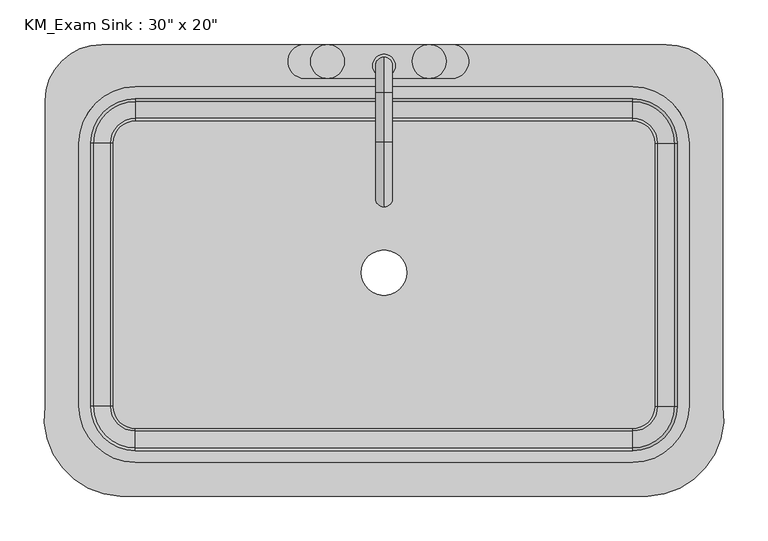
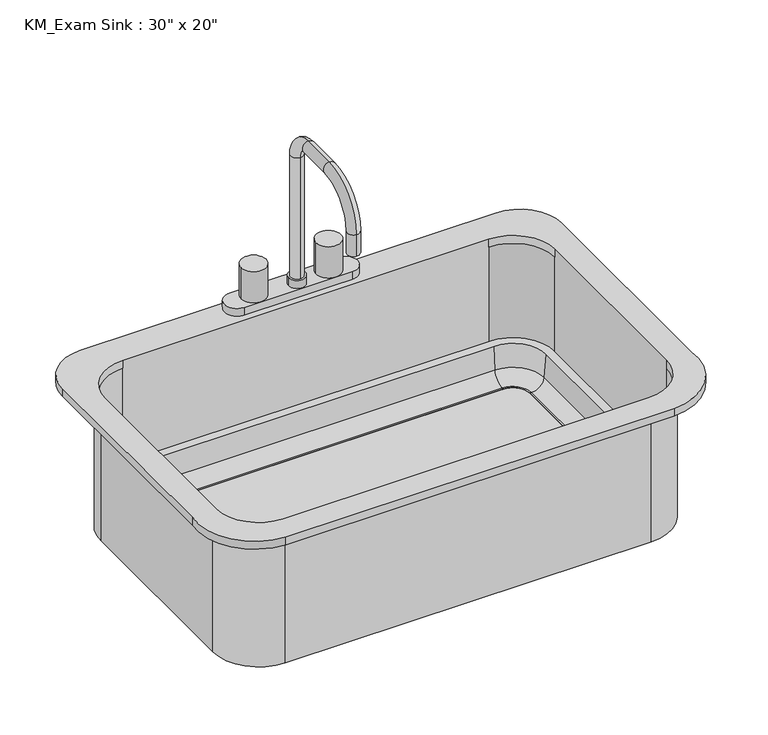
"""IFC4 building model written with IfcOpenShell, lengths in millimetres: flow terminal geometry."""

from ifc_helpers import new_model, si_unit, point, frame, frame_2d, origin, place, context, project, spatial, polyline, circle_curve, ellipse_curve, trimmed, segment, composite_curve, outline, extrude, source, transform, mapped, element, save
from ifc_brep_helpers import plane_surface, cylinder_surface, revolved_surface, advanced_brep


def flow_terminal_a957b38f(model_context):
    return source(origin(), model_context, "Body", "SolidModel", [
        advanced_brep(
        [(-280.9606923, -302.4545989, 876.3), (312.3391735, -302.4545989, 876.3), (396.6892406, -200.8545989, 876.3), (396.6892406, 142.0454011, 876.3), (333.1892406, 205.5454011, 876.3), (-301.8107593, 205.5454011, 876.3), (-365.3107593, 142.0454011, 876.3), (-365.3107593, -200.8545982, 876.3), (295.0892406, 157.9204011, 876.3), (358.5892406, 94.4204011, 876.3), (358.5892406, -200.8545989, 876.3), (295.0892406, -264.3545989, 876.3), (-263.7107594, -264.3545989, 876.3), (-327.2107594, -200.8545989, 876.3), (-327.2107594, 94.4204011, 876.3), (-263.7107594, 157.9204011, 876.3), (-280.9606923, -302.4545989, 863.6), (-365.3107593, -200.8545982, 863.6), (-365.3107593, 142.0454011, 863.6), (-301.8107593, 205.5454011, 863.6), (333.1892406, 205.5454011, 863.6), (396.6892406, 142.0454011, 863.6), (396.6892406, -200.8545989, 863.6), (312.3391735, -302.4545989, 863.6), (364.9392406, 94.4204011, 863.6), (295.0892406, 164.2704011, 863.6), (-263.7107594, 164.2704011, 863.6), (-333.5607594, 94.4204011, 863.6), (-333.5607594, -200.8545989, 863.6), (-263.7107594, -270.7045989, 863.6), (295.0892406, -270.7045989, 863.6), (364.9392406, -200.8545989, 863.6), (295.0892406, 157.9204011, 863.6), (358.5892406, 94.4204011, 863.6), (358.5892406, 94.4204011, 711.2), (358.5892406, -200.8545989, 711.2), (358.5892406, -200.8545989, 863.6), (295.0892406, -264.3545989, 863.6), (295.0892406, -264.3545989, 711.2), (-263.7107594, -264.3545989, 711.2), (-263.7107594, -264.3545989, 863.6), (-327.2107594, -200.8545989, 863.6), (-327.2107594, -200.8545989, 711.2), (-327.2107594, 94.4204011, 711.2), (-327.2107594, 94.4204011, 863.6), (-263.7107594, 157.9204011, 863.6), (-263.7107594, 157.9204011, 711.2), (295.0892406, 157.9204011, 711.2), (364.9392406, 94.4204011, 647.7), (295.0892406, 164.2704011, 647.7), (320.4892406, 94.4204011, 647.7), (295.0892406, 119.8204011, 647.7), (320.4892406, 94.4204011, 657.225), (295.0892406, 119.8204011, 657.225), (323.0776588, 94.4204011, 657.225), (295.0892406, 122.4088193, 657.225), (342.0551678, 94.4204011, 674.6146831), (295.0892406, 141.3863283, 674.6146831), (345.2559682, 94.4204011, 711.2), (295.0892406, 144.5871288, 711.2), (364.9392406, -200.8545989, 647.7), (320.4892406, -200.8545989, 647.7), (320.4892406, -200.8545989, 657.225), (323.0776588, -200.8545989, 657.225), (342.0551678, -200.8545989, 674.6146831), (345.2559682, -200.8545989, 711.2), (295.0892406, -270.7045989, 647.7), (295.0892406, -226.2545989, 647.7), (295.0892406, -226.2545989, 657.225), (295.0892406, -228.8430171, 657.225), (295.0892406, -247.8205261, 674.6146831), (295.0892406, -251.0213266, 711.2), (-263.7107594, -270.7045989, 647.7), (-263.7107594, -226.2545989, 647.7), (-263.7107594, -226.2545989, 657.225), (-263.7107594, -228.8430171, 657.225), (-263.7107594, -247.8205261, 674.6146831), (-263.7107594, -251.0213266, 711.2), (-333.5607594, -200.8545989, 647.7), (-289.1107594, -200.8545989, 647.7), (-289.1107594, -200.8545989, 657.225), (-291.6991776, -200.8545989, 657.225), (-310.6766866, -200.8545989, 674.6146831), (-313.8774871, -200.8545989, 711.2), (-333.5607594, 94.4204011, 647.7), (-289.1107594, 94.4204011, 647.7), (-289.1107594, 94.4204011, 657.225), (-291.6991776, 94.4204011, 657.225), (-310.6766866, 94.4204011, 674.6146831), (-313.8774871, 94.4204011, 711.2), (-263.7107594, 164.2704011, 647.7), (-263.7107594, 119.8204011, 647.7), (-263.7107594, 119.8204011, 657.225), (-263.7107594, 122.4088193, 657.225), (-263.7107594, 141.3863283, 674.6146831), (-263.7107594, 144.5871288, 711.2)],
        [
            (0, 1),
            (1, 2, circle_curve(frame((308.5319557, -213.4793432, 876.3), z_axis=(0.0, 0.0, 1.0), x_axis=(1.0, 0.0, 0.0)), 89.0566732)),
            (2, 3),
            (3, 4, circle_curve(frame((333.1892406, 142.0454011, 876.3), z_axis=(0.0, 0.0, 1.0), x_axis=(1.0, 0.0, 0.0)), 63.5)),
            (4, 5),
            (5, 6, circle_curve(frame((-301.8107593, 142.0454011, 876.3), z_axis=(0.0, 0.0, 1.0), x_axis=(1.0, 0.0, 0.0)), 63.5)),
            (6, 7),
            (7, 0, circle_curve(frame((-277.1534746, -213.4793432, 876.3), z_axis=(0.0, 0.0, 1.0), x_axis=(1.0, 0.0, 0.0)), 89.0566732)),
            (8, 9, circle_curve(frame((295.0892406, 94.4204011, 876.3), z_axis=(0.0, 0.0, -1.0), x_axis=(1.0, 0.0, 0.0)), 63.5)),
            (9, 10),
            (10, 11, circle_curve(frame((295.0892406, -200.8545989, 876.3), z_axis=(0.0, 0.0, -1.0), x_axis=(1.0, 0.0, 0.0)), 63.5)),
            (11, 12),
            (12, 13, circle_curve(frame((-263.7107594, -200.8545989, 876.3), z_axis=(0.0, 0.0, -1.0), x_axis=(1.0, 0.0, 0.0)), 63.5)),
            (13, 14),
            (14, 15, circle_curve(frame((-263.7107594, 94.4204011, 876.3), z_axis=(0.0, 0.0, -1.0), x_axis=(1.0, 0.0, 0.0)), 63.5)),
            (15, 8),
            (16, 17, circle_curve(frame((-277.1534746, -213.4793432, 863.6), z_axis=(0.0, 0.0, -1.0), x_axis=(1.0, 0.0, 0.0)), 89.0566732)),
            (17, 18),
            (18, 19, circle_curve(frame((-301.8107593, 142.0454011, 863.6), z_axis=(0.0, 0.0, -1.0), x_axis=(1.0, 0.0, 0.0)), 63.5)),
            (19, 20),
            (20, 21, circle_curve(frame((333.1892406, 142.0454011, 863.6), z_axis=(0.0, 0.0, -1.0), x_axis=(1.0, 0.0, 0.0)), 63.5)),
            (21, 22),
            (22, 23, circle_curve(frame((308.5319557, -213.4793432, 863.6), z_axis=(0.0, 0.0, -1.0), x_axis=(1.0, 0.0, 0.0)), 89.0566732)),
            (23, 16),
            (24, 25, circle_curve(frame((295.0892406, 94.4204011, 863.6), z_axis=(0.0, 0.0, 1.0), x_axis=(0.0, 1.0, 0.0)), 69.85)),
            (25, 26),
            (26, 27, circle_curve(frame((-263.7107594, 94.4204011, 863.6), z_axis=(0.0, 0.0, 1.0), x_axis=(-1.0, 0.0, 0.0)), 69.85)),
            (27, 28),
            (28, 29, circle_curve(frame((-263.7107594, -200.8545989, 863.6), z_axis=(0.0, 0.0, 1.0), x_axis=(0.0, -1.0, 0.0)), 69.85)),
            (29, 30),
            (30, 31, circle_curve(frame((295.0892406, -200.8545989, 863.6), z_axis=(0.0, 0.0, 1.0), x_axis=(1.0, 0.0, 0.0)), 69.85)),
            (31, 24),
            (0, 16),
            (23, 1),
            (22, 2),
            (21, 3),
            (20, 4),
            (19, 5),
            (18, 6),
            (17, 7),
            (8, 32),
            (32, 33, circle_curve(frame((295.0892406, 94.4204011, 863.6), z_axis=(0.0, 0.0, -1.0), x_axis=(1.0, 0.0, 0.0)), 63.5)),
            (33, 9),
            (33, 34),
            (34, 35),
            (35, 36),
            (36, 10),
            (36, 37, circle_curve(frame((295.0892406, -200.8545989, 863.6), z_axis=(0.0, 0.0, -1.0), x_axis=(1.0, 0.0, 0.0)), 63.5)),
            (37, 11),
            (37, 38),
            (38, 39),
            (39, 40),
            (40, 12),
            (40, 41, circle_curve(frame((-263.7107594, -200.8545989, 863.6), z_axis=(0.0, 0.0, -1.0), x_axis=(1.0, 0.0, 0.0)), 63.5)),
            (41, 13),
            (41, 42),
            (42, 43),
            (43, 44),
            (44, 14),
            (44, 45, circle_curve(frame((-263.7107594, 94.4204011, 863.6), z_axis=(0.0, 0.0, -1.0), x_axis=(1.0, 0.0, 0.0)), 63.5)),
            (45, 15),
            (45, 46),
            (46, 47),
            (47, 32),
            (48, 49, circle_curve(frame((295.0892406, 94.4204011, 647.7), z_axis=(0.0, 0.0, 1.0), x_axis=(0.0, 1.0, 0.0)), 69.85)),
            (49, 25),
            (24, 48),
            (48, 50),
            (50, 51, circle_curve(frame((295.0892406, 94.4204011, 647.7), z_axis=(0.0, 0.0, 1.0), x_axis=(0.0, 1.0, 0.0)), 25.4)),
            (51, 49),
            (50, 52),
            (52, 53, circle_curve(frame((295.0892406, 94.4204011, 657.225), z_axis=(0.0, 0.0, 1.0), x_axis=(0.0, 1.0, 0.0)), 25.4)),
            (53, 51),
            (52, 54),
            (54, 55, circle_curve(frame((295.0892406, 94.4204011, 657.225), z_axis=(0.0, 0.0, 1.0), x_axis=(0.0, 1.0, 0.0)), 27.9884182)),
            (55, 53),
            (54, 56, circle_curve(frame((323.0776588, 94.4204011, 676.275), z_axis=(0.0, -1.0, 0.0), x_axis=(1.0, 0.0, 0.0)), 19.05)),
            (56, 57, circle_curve(frame((295.0892406, 94.4204011, 674.6146831), z_axis=(0.0, 0.0, 1.0), x_axis=(0.0, 1.0, 0.0)), 46.9659272)),
            (57, 55, circle_curve(frame((295.0892406, 122.4088193, 676.275), z_axis=(-1.0, 0.0, 0.0), x_axis=(0.0, 1.0, 0.0)), 19.05)),
            (56, 58),
            (58, 59, circle_curve(frame((295.0892406, 94.4204011, 711.2), z_axis=(0.0, 0.0, 1.0), x_axis=(0.0, 1.0, 0.0)), 50.1667277)),
            (59, 57),
            (31, 60),
            (60, 48),
            (60, 61),
            (61, 50),
            (61, 62),
            (62, 52),
            (62, 63),
            (63, 54),
            (63, 64, circle_curve(frame((323.0776588, -200.8545989, 676.275), z_axis=(0.0, -1.0, 0.0), x_axis=(1.0, 0.0, 0.0)), 19.05)),
            (64, 56),
            (64, 65),
            (65, 58),
            (30, 66),
            (66, 60, circle_curve(frame((295.0892406, -200.8545989, 647.7), z_axis=(0.0, 0.0, 1.0), x_axis=(1.0, 0.0, 0.0)), 69.85)),
            (66, 67),
            (67, 61, circle_curve(frame((295.0892406, -200.8545989, 647.7), z_axis=(0.0, 0.0, 1.0), x_axis=(1.0, 0.0, 0.0)), 25.4)),
            (67, 68),
            (68, 62, circle_curve(frame((295.0892406, -200.8545989, 657.225), z_axis=(0.0, 0.0, 1.0), x_axis=(1.0, 0.0, 0.0)), 25.4)),
            (68, 69),
            (69, 63, circle_curve(frame((295.0892406, -200.8545989, 657.225), z_axis=(0.0, 0.0, 1.0), x_axis=(1.0, 0.0, 0.0)), 27.9884182)),
            (69, 70, circle_curve(frame((295.0892406, -228.8430171, 676.275), z_axis=(-1.0, 0.0, 0.0), x_axis=(0.0, -1.0, 0.0)), 19.05)),
            (70, 64, circle_curve(frame((295.0892406, -200.8545989, 674.6146831), z_axis=(0.0, 0.0, 1.0), x_axis=(1.0, 0.0, 0.0)), 46.9659272)),
            (70, 71),
            (71, 65, circle_curve(frame((295.0892406, -200.8545989, 711.2), z_axis=(0.0, 0.0, 1.0), x_axis=(1.0, 0.0, 0.0)), 50.1667277)),
            (29, 72),
            (72, 66),
            (72, 73),
            (73, 67),
            (73, 74),
            (74, 68),
            (74, 75),
            (75, 69),
            (75, 76, circle_curve(frame((-263.7107594, -228.8430171, 676.275), z_axis=(-1.0, 0.0, 0.0), x_axis=(0.0, -1.0, 0.0)), 19.05)),
            (76, 70),
            (76, 77),
            (77, 71),
            (28, 78),
            (78, 72, circle_curve(frame((-263.7107594, -200.8545989, 647.7), z_axis=(0.0, 0.0, 1.0), x_axis=(0.0, -1.0, 0.0)), 69.85)),
            (78, 79),
            (79, 73, circle_curve(frame((-263.7107594, -200.8545989, 647.7), z_axis=(0.0, 0.0, 1.0), x_axis=(0.0, -1.0, 0.0)), 25.4)),
            (79, 80),
            (80, 74, circle_curve(frame((-263.7107594, -200.8545989, 657.225), z_axis=(0.0, 0.0, 1.0), x_axis=(0.0, -1.0, 0.0)), 25.4)),
            (80, 81),
            (81, 75, circle_curve(frame((-263.7107594, -200.8545989, 657.225), z_axis=(0.0, 0.0, 1.0), x_axis=(0.0, -1.0, 0.0)), 27.9884182)),
            (81, 82, circle_curve(frame((-291.6991776, -200.8545989, 676.275), z_axis=(0.0, 1.0, 0.0), x_axis=(-1.0, 0.0, 0.0)), 19.05)),
            (82, 76, circle_curve(frame((-263.7107594, -200.8545989, 674.6146831), z_axis=(0.0, 0.0, 1.0), x_axis=(0.0, -1.0, 0.0)), 46.9659272)),
            (82, 83),
            (83, 77, circle_curve(frame((-263.7107594, -200.8545989, 711.2), z_axis=(0.0, 0.0, 1.0), x_axis=(0.0, -1.0, 0.0)), 50.1667277)),
            (27, 84),
            (84, 78),
            (84, 85),
            (85, 79),
            (85, 86),
            (86, 80),
            (86, 87),
            (87, 81),
            (87, 88, circle_curve(frame((-291.6991776, 94.4204011, 676.275), z_axis=(0.0, 1.0, 0.0), x_axis=(-1.0, 0.0, 0.0)), 19.05)),
            (88, 82),
            (88, 89),
            (89, 83),
            (26, 90),
            (90, 84, circle_curve(frame((-263.7107594, 94.4204011, 647.7), z_axis=(0.0, 0.0, 1.0), x_axis=(-1.0, 0.0, 0.0)), 69.85)),
            (90, 91),
            (91, 85, circle_curve(frame((-263.7107594, 94.4204011, 647.7), z_axis=(0.0, 0.0, 1.0), x_axis=(-1.0, 0.0, 0.0)), 25.4)),
            (91, 92),
            (92, 86, circle_curve(frame((-263.7107594, 94.4204011, 657.225), z_axis=(0.0, 0.0, 1.0), x_axis=(-1.0, 0.0, 0.0)), 25.4)),
            (92, 93),
            (93, 87, circle_curve(frame((-263.7107594, 94.4204011, 657.225), z_axis=(0.0, 0.0, 1.0), x_axis=(-1.0, 0.0, 0.0)), 27.9884182)),
            (93, 94, circle_curve(frame((-263.7107594, 122.4088193, 676.275), z_axis=(1.0, 0.0, 0.0), x_axis=(0.0, 1.0, 0.0)), 19.05)),
            (94, 88, circle_curve(frame((-263.7107594, 94.4204011, 674.6146831), z_axis=(0.0, 0.0, 1.0), x_axis=(-1.0, 0.0, 0.0)), 46.9659272)),
            (94, 95),
            (95, 89, circle_curve(frame((-263.7107594, 94.4204011, 711.2), z_axis=(0.0, 0.0, 1.0), x_axis=(-1.0, 0.0, 0.0)), 50.1667277)),
            (49, 90),
            (51, 91),
            (53, 92),
            (55, 93),
            (57, 94),
            (59, 95),
            (42, 39, circle_curve(frame((-263.7107594, -200.8545989, 711.2), z_axis=(0.0, 0.0, 1.0), x_axis=(0.0, -1.0, 0.0)), 63.5)),
            (38, 35, circle_curve(frame((295.0892406, -200.8545989, 711.2), z_axis=(0.0, 0.0, 1.0), x_axis=(0.0, -1.0, 0.0)), 63.5)),
            (34, 47, circle_curve(frame((295.0892406, 94.4204011, 711.2), z_axis=(0.0, 0.0, 1.0), x_axis=(0.0, -1.0, 0.0)), 63.5)),
            (46, 43, circle_curve(frame((-263.7107594, 94.4204011, 711.2), z_axis=(0.0, 0.0, 1.0), x_axis=(0.0, -1.0, 0.0)), 63.5)),
        ],
        [
            plane_surface(frame((312.3391735, -302.4545989, 876.3), z_axis=(0.0, 0.0, 1.0), x_axis=(1.0, 0.0, 0.0))),
            plane_surface(frame((312.3391735, -302.4545989, 863.6), z_axis=(0.0, 0.0, -1.0), x_axis=(-1.0, 0.0, 0.0))),
            plane_surface(frame((-280.9606923, -302.4545989, 876.3), z_axis=(0.0, -1.0, 0.0), x_axis=(0.0, 0.0, -1.0))),
            cylinder_surface(frame((308.5319557, -213.4793432, 863.6), z_axis=(0.0, 0.0, 1.0), x_axis=(1.0, 0.0, 0.0)), 89.0566732),
            plane_surface(frame((396.6892406, -200.8545989, 876.3), z_axis=(1.0, 0.0, 0.0), x_axis=(0.0, 0.0, -1.0))),
            cylinder_surface(frame((333.1892406, 142.0454011, 863.6), z_axis=(0.0, 0.0, 1.0), x_axis=(1.0, 0.0, 0.0)), 63.5),
            plane_surface(frame((333.1892406, 205.5454011, 876.3), z_axis=(0.0, 1.0, 0.0), x_axis=(0.0, 0.0, -1.0))),
            cylinder_surface(frame((-301.8107593, 142.0454011, 863.6), z_axis=(0.0, 0.0, 1.0), x_axis=(1.0, 0.0, 0.0)), 63.5),
            plane_surface(frame((-365.3107593, 142.0454011, 876.3), z_axis=(-1.0, 0.0, 0.0), x_axis=(0.0, 0.0, -1.0))),
            cylinder_surface(frame((-277.1534746, -213.4793432, 863.6), z_axis=(0.0, 0.0, 1.0), x_axis=(1.0, 0.0, 0.0)), 89.0566732),
            revolved_surface(polyline([(358.5892406, 94.4204011, 863.6), (358.5892406, 94.4204011, 876.3)]), (295.0892406, 94.4204011, 0.0), (0.0, 0.0, -1.0)),
            plane_surface(frame((358.5892406, 94.4204011, 876.3), z_axis=(-1.0, 0.0, 0.0), x_axis=(0.0, 0.0, -1.0))),
            revolved_surface(polyline([(358.5892406, -200.8545989, 863.6), (358.5892406, -200.8545989, 876.3)]), (295.0892406, -200.8545989, 0.0), (0.0, 0.0, -1.0)),
            plane_surface(frame((295.0892406, -264.3545989, 876.3), z_axis=(0.0, 1.0, 0.0), x_axis=(0.0, 0.0, -1.0))),
            revolved_surface(polyline([(-200.21075939999997, -200.8545989, 863.6), (-200.21075939999997, -200.8545989, 876.3)]), (-263.7107594, -200.8545989, 0.0), (0.0, 0.0, -1.0)),
            plane_surface(frame((-327.2107594, -200.8545989, 876.3), z_axis=(1.0, 0.0, 0.0), x_axis=(0.0, 0.0, -1.0))),
            revolved_surface(polyline([(-200.21075939999997, 94.4204011, 863.6), (-200.21075939999997, 94.4204011, 876.3)]), (-263.7107594, 94.4204011, 0.0), (0.0, 0.0, -1.0)),
            plane_surface(frame((-263.7107594, 157.9204011, 876.3), z_axis=(0.0, -1.0, 0.0), x_axis=(0.0, 0.0, -1.0))),
            cylinder_surface(frame((295.0892406, 94.4204011, 0.0), z_axis=(0.0, 0.0, -1.0), x_axis=(0.0, 1.0, 0.0)), 69.85),
            plane_surface(frame((295.0892406, 94.4204011, 647.7), z_axis=(0.0, 0.0, -1.0), x_axis=(0.0, 1.0, 0.0))),
            revolved_surface(polyline([(295.0892406, 119.8204011, 647.7), (295.0892406, 119.8204011, 657.225)]), (295.0892406, 94.4204011, 0.0), (0.0, 0.0, -1.0)),
            plane_surface(frame((295.0892406, 94.4204011, 657.225), z_axis=(0.0, 0.0, 1.0), x_axis=(0.0, 1.0, 0.0))),
            revolved_surface(trimmed(ellipse_curve(frame((295.0892406, 122.4088193, 676.275), z_axis=(1.0, 0.0, 0.0), x_axis=(0.0, 1.0, 0.0)), 19.05, 19.05), [point((295.0892406, 122.4088193, 657.225))], [point((295.0892406, 141.3863283, 674.6146831))], True, "CARTESIAN"), (295.0892406, 94.4204011, 0.0), (0.0, 0.0, -1.0)),
            revolved_surface(polyline([(295.0892406, 141.3863283, 674.6146831), (295.0892406, 157.9204011, 863.6)]), (295.0892406, 94.4204011, 0.0), (0.0, 0.0, -1.0)),
            plane_surface(frame((364.9392406, 94.4204011, 863.6), z_axis=(1.0, 0.0, 0.0), x_axis=(0.0, -1.0, 0.0))),
            plane_surface(frame((364.9392406, 94.4204011, 647.7), z_axis=(0.0, 0.0, -1.0), x_axis=(0.0, -1.0, 0.0))),
            plane_surface(frame((320.4892406, 94.4204011, 647.7), z_axis=(-1.0, 0.0, 0.0), x_axis=(0.0, -1.0, 0.0))),
            plane_surface(frame((320.4892406, 94.4204011, 657.225), z_axis=(0.0, 0.0, 1.0), x_axis=(0.0, -1.0, 0.0))),
            revolved_surface(polyline([(342.1276588, -200.85459890000004, 676.275), (342.1276588, 94.4204011, 676.275)]), (323.0776588, 94.4204011, 676.275), (0.0, -1.0, 0.0)),
            plane_surface(frame((342.0551678, 94.4204011, 674.6146831), z_axis=(-0.9961946980917442, 0.0, 0.08715574274767382), x_axis=(0.0, -1.0, 0.0))),
            cylinder_surface(frame((295.0892406, -200.8545989, 0.0), z_axis=(0.0, 0.0, -1.0), x_axis=(1.0, 0.0, 0.0)), 69.85),
            plane_surface(frame((295.0892406, -200.8545989, 647.7), z_axis=(0.0, 0.0, -1.0), x_axis=(1.0, 0.0, 0.0))),
            revolved_surface(polyline([(320.48924059999996, -200.8545989, 647.7), (320.48924059999996, -200.8545989, 657.225)]), (295.0892406, -200.8545989, 0.0), (0.0, 0.0, -1.0)),
            plane_surface(frame((295.0892406, -200.8545989, 657.225), z_axis=(0.0, 0.0, 1.0), x_axis=(1.0, 0.0, 0.0))),
            revolved_surface(trimmed(ellipse_curve(frame((323.0776588, -200.8545989, 676.275), z_axis=(0.0, -1.0, 0.0), x_axis=(1.0, 0.0, 0.0)), 19.05, 19.05), [point((323.0776588, -200.8545989, 657.225))], [point((342.0551678, -200.8545989, 674.6146831))], True, "CARTESIAN"), (295.0892406, -200.8545989, 0.0), (0.0, 0.0, -1.0)),
            revolved_surface(polyline([(342.0551678, -200.8545989, 674.6146831), (358.5892406, -200.8545989, 863.6)]), (295.0892406, -200.8545989, 0.0), (0.0, 0.0, -1.0)),
            plane_surface(frame((295.0892406, -270.7045989, 863.6), z_axis=(0.0, -1.0, 0.0), x_axis=(-1.0, 0.0, 0.0))),
            plane_surface(frame((295.0892406, -270.7045989, 647.7), z_axis=(0.0, 0.0, -1.0), x_axis=(-1.0, 0.0, 0.0))),
            plane_surface(frame((295.0892406, -226.2545989, 647.7), z_axis=(0.0, 1.0, 0.0), x_axis=(-1.0, 0.0, 0.0))),
            plane_surface(frame((295.0892406, -226.2545989, 657.225), z_axis=(0.0, 0.0, 1.0), x_axis=(-1.0, 0.0, 0.0))),
            revolved_surface(polyline([(-263.7107594, -247.8930171, 676.275), (295.0892406, -247.8930171, 676.275)]), (295.0892406, -228.8430171, 676.275), (-1.0, 0.0, 0.0)),
            plane_surface(frame((295.0892406, -247.8205261, 674.6146831), z_axis=(0.0, 0.9961946980917442, 0.08715574274767382), x_axis=(-1.0, 0.0, 0.0))),
            cylinder_surface(frame((-263.7107594, -200.8545989, 0.0), z_axis=(0.0, 0.0, -1.0), x_axis=(0.0, -1.0, 0.0)), 69.85),
            plane_surface(frame((-263.7107594, -200.8545989, 647.7), z_axis=(0.0, 0.0, -1.0), x_axis=(0.0, -1.0, 0.0))),
            revolved_surface(polyline([(-263.7107594, -226.25459890000002, 647.7), (-263.7107594, -226.25459890000002, 657.225)]), (-263.7107594, -200.8545989, 0.0), (0.0, 0.0, -1.0)),
            plane_surface(frame((-263.7107594, -200.8545989, 657.225), z_axis=(0.0, 0.0, 1.0), x_axis=(0.0, -1.0, 0.0))),
            revolved_surface(trimmed(ellipse_curve(frame((-263.7107594, -228.8430171, 676.275), z_axis=(-1.0, 0.0, 0.0), x_axis=(0.0, -1.0, 0.0)), 19.05, 19.05), [point((-263.7107594, -228.8430171, 657.225))], [point((-263.7107594, -247.8205261, 674.6146831))], True, "CARTESIAN"), (-263.7107594, -200.8545989, 0.0), (0.0, 0.0, -1.0)),
            revolved_surface(polyline([(-263.7107594, -247.8205261, 674.6146831), (-263.7107594, -264.3545989, 863.6)]), (-263.7107594, -200.8545989, 0.0), (0.0, 0.0, -1.0)),
            plane_surface(frame((-333.5607594, -200.8545989, 863.6), z_axis=(-1.0, 0.0, 0.0), x_axis=(0.0, 1.0, 0.0))),
            plane_surface(frame((-333.5607594, -200.8545989, 647.7), z_axis=(0.0, 0.0, -1.0), x_axis=(0.0, 1.0, 0.0))),
            plane_surface(frame((-289.1107594, -200.8545989, 647.7), z_axis=(1.0, 0.0, 0.0), x_axis=(0.0, 1.0, 0.0))),
            plane_surface(frame((-289.1107594, -200.8545989, 657.225), z_axis=(0.0, 0.0, 1.0), x_axis=(0.0, 1.0, 0.0))),
            revolved_surface(polyline([(-310.7491776, 94.42040110000002, 676.275), (-310.7491776, -200.8545989, 676.275)]), (-291.6991776, -200.8545989, 676.275), (0.0, 1.0, 0.0)),
            plane_surface(frame((-310.6766866, -200.8545989, 674.6146831), z_axis=(0.9961946980917442, 0.0, 0.08715574274767382), x_axis=(0.0, 1.0, 0.0))),
            cylinder_surface(frame((-263.7107594, 94.4204011, 0.0), z_axis=(0.0, 0.0, -1.0), x_axis=(-1.0, 0.0, 0.0)), 69.85),
            plane_surface(frame((-263.7107594, 94.4204011, 647.7), z_axis=(0.0, 0.0, -1.0), x_axis=(-1.0, 0.0, 0.0))),
            revolved_surface(polyline([(-289.11075939999995, 94.4204011, 647.7), (-289.11075939999995, 94.4204011, 657.225)]), (-263.7107594, 94.4204011, 0.0), (0.0, 0.0, -1.0)),
            plane_surface(frame((-263.7107594, 94.4204011, 657.225), z_axis=(0.0, 0.0, 1.0), x_axis=(-1.0, 0.0, 0.0))),
            revolved_surface(trimmed(ellipse_curve(frame((-291.6991776, 94.4204011, 676.275), z_axis=(0.0, 1.0, 0.0), x_axis=(-1.0, 0.0, 0.0)), 19.05, 19.05), [point((-291.6991776, 94.4204011, 657.225))], [point((-310.6766866, 94.4204011, 674.6146831))], True, "CARTESIAN"), (-263.7107594, 94.4204011, 0.0), (0.0, 0.0, -1.0)),
            revolved_surface(polyline([(-310.6766866, 94.4204011, 674.6146831), (-327.2107594, 94.4204011, 863.6)]), (-263.7107594, 94.4204011, 0.0), (0.0, 0.0, -1.0)),
            plane_surface(frame((-263.7107594, 164.2704011, 863.6), z_axis=(0.0, 1.0, 0.0), x_axis=(1.0, 0.0, 0.0))),
            plane_surface(frame((-263.7107594, 164.2704011, 647.7), z_axis=(0.0, 0.0, -1.0), x_axis=(1.0, 0.0, 0.0))),
            plane_surface(frame((-263.7107594, 119.8204011, 647.7), z_axis=(0.0, -1.0, 0.0), x_axis=(1.0, 0.0, 0.0))),
            plane_surface(frame((-263.7107594, 119.8204011, 657.225), z_axis=(0.0, 0.0, 1.0), x_axis=(1.0, 0.0, 0.0))),
            revolved_surface(polyline([(295.0892406, 141.45881930000002, 676.275), (-263.7107594, 141.45881930000002, 676.275)]), (-263.7107594, 122.4088193, 676.275), (1.0, 0.0, 0.0)),
            plane_surface(frame((-263.7107594, 141.3863283, 674.6146831), z_axis=(0.0, -0.9961946980917442, 0.08715574274767382), x_axis=(1.0, 0.0, 0.0))),
            plane_surface(frame((-263.7107594, -264.3545989, 711.2), z_axis=(0.0, 0.0, 1.0), x_axis=(-1.0, 0.0, 0.0))),
            revolved_surface(polyline([(-263.7107594, -264.35459890000004, 863.6), (-263.7107594, -264.35459890000004, 711.2)]), (-263.7107594, -200.8545989, 711.2), (0.0, 0.0, 1.0)),
            revolved_surface(polyline([(295.0892406, -264.35459890000004, 863.6), (295.0892406, -264.35459890000004, 711.2)]), (295.0892406, -200.8545989, 711.2), (0.0, 0.0, 1.0)),
            revolved_surface(polyline([(295.0892406, 30.920401100000007, 863.6), (295.0892406, 30.920401100000007, 711.2)]), (295.0892406, 94.4204011, 711.2), (0.0, 0.0, 1.0)),
            revolved_surface(polyline([(-263.7107594, 30.920401100000007, 863.6), (-263.7107594, 30.920401100000007, 711.2)]), (-263.7107594, 94.4204011, 711.2), (0.0, 0.0, 1.0)),
        ],
        [
            (0, [[1, 2, 3, 4, 5, 6, 7, 8], [9, 10, 11, 12, 13, 14, 15, 16]]),
            (1, [[17, 18, 19, 20, 21, 22, 23, 24], [25, 26, 27, 28, 29, 30, 31, 32]]),
            (2, [[-1, 33, -24, 34]]),
            (3, [[-2, -34, -23, 35]]),
            (4, [[-3, -35, -22, 36]]),
            (5, [[-4, -36, -21, 37]]),
            (6, [[-5, -37, -20, 38]]),
            (7, [[-6, -38, -19, 39]]),
            (8, [[-7, -39, -18, 40]]),
            (9, [[-8, -40, -17, -33]]),
            (10, [[-9, 41, 42, 43]]),
            (11, [[-10, -43, 44, 45, 46, 47]]),
            (12, [[-11, -47, 48, 49]]),
            (13, [[-12, -49, 50, 51, 52, 53]]),
            (14, [[-13, -53, 54, 55]]),
            (15, [[-14, -55, 56, 57, 58, 59]]),
            (16, [[-15, -59, 60, 61]]),
            (17, [[-16, -61, 62, 63, 64, -41]]),
            (18, [[65, 66, -25, 67]]),
            (19, [[-65, 68, 69, 70]]),
            (20, [[-69, 71, 72, 73]]),
            (21, [[-72, 74, 75, 76]]),
            (22, [[-75, 77, 78, 79]]),
            (23, [[-78, 80, 81, 82]]),
            (24, [[-67, -32, 83, 84]]),
            (25, [[-68, -84, 85, 86]]),
            (26, [[-71, -86, 87, 88]]),
            (27, [[-74, -88, 89, 90]]),
            (28, [[-77, -90, 91, 92]]),
            (29, [[-92, 93, 94, -80]]),
            (30, [[-83, -31, 95, 96]]),
            (31, [[-85, -96, 97, 98]]),
            (32, [[-87, -98, 99, 100]]),
            (33, [[-89, -100, 101, 102]]),
            (34, [[-91, -102, 103, 104]]),
            (35, [[-104, 105, 106, -93]]),
            (36, [[-95, -30, 107, 108]]),
            (37, [[-97, -108, 109, 110]]),
            (38, [[-99, -110, 111, 112]]),
            (39, [[-101, -112, 113, 114]]),
            (40, [[-103, -114, 115, 116]]),
            (41, [[-116, 117, 118, -105]]),
            (42, [[-107, -29, 119, 120]]),
            (43, [[-109, -120, 121, 122]]),
            (44, [[-111, -122, 123, 124]]),
            (45, [[-113, -124, 125, 126]]),
            (46, [[-115, -126, 127, 128]]),
            (47, [[-128, 129, 130, -117]]),
            (48, [[-119, -28, 131, 132]]),
            (49, [[-121, -132, 133, 134]]),
            (50, [[-123, -134, 135, 136]]),
            (51, [[-125, -136, 137, 138]]),
            (52, [[-127, -138, 139, 140]]),
            (53, [[-140, 141, 142, -129]]),
            (54, [[-131, -27, 143, 144]]),
            (55, [[-133, -144, 145, 146]]),
            (56, [[-135, -146, 147, 148]]),
            (57, [[-137, -148, 149, 150]]),
            (58, [[-139, -150, 151, 152]]),
            (59, [[-152, 153, 154, -141]]),
            (60, [[-66, 155, -143, -26]]),
            (61, [[-70, 156, -145, -155]]),
            (62, [[-73, 157, -147, -156]]),
            (63, [[-76, 158, -149, -157]]),
            (64, [[-79, 159, -151, -158]]),
            (65, [[-159, -82, 160, -153]]),
            (66, [[161, -51, 162, -45, 163, -63, 164, -57], [-81, -94, -106, -118, -130, -142, -154, -160]]),
            (67, [[-161, -56, -54, -52]]),
            (68, [[-162, -50, -48, -46]]),
            (69, [[-163, -44, -42, -64]]),
            (70, [[-164, -62, -60, -58]]),
        ],
    ),
        advanced_brep(
        [(91.8892406, 205.5454011, 876.3), (91.8892406, 167.4454011, 876.3), (-73.2107594, 167.4454011, 876.3), (-73.2107594, 205.5454011, 876.3), (15.6892406, 191.2579011, 1096.9625), (15.6892406, 172.2079011, 1096.9625), (15.6892406, 172.2079011, 901.7), (15.6892406, 191.2579011, 901.7), (15.6892406, 151.5704011, 1136.65), (15.6892406, 151.5704011, 1117.6), (15.6892406, 96.0079011, 1136.65), (15.6892406, 96.0079011, 1117.6), (15.6892406, 22.9829011, 1063.625), (15.6892406, 42.0329011, 1063.625), (15.6892406, 22.9829011, 1028.7), (15.6892406, 42.0329011, 1028.7), (2.9892406, 181.7329011, 901.7), (28.3892406, 181.7329011, 901.7), (2.9892406, 181.7329011, 889.0), (28.3892406, 181.7329011, 889.0), (91.8892406, 205.5454011, 889.0), (-73.2107594, 205.5454011, 889.0), (-73.2107594, 167.4454011, 889.0), (91.8892406, 167.4454011, 889.0)],
        [
            (0, 1, circle_curve(frame((91.8892406, 186.4954011, 876.3), z_axis=(0.0, 0.0, -1.0), x_axis=(1.0, 0.0, 0.0)), 19.05)),
            (1, 2),
            (2, 3, circle_curve(frame((-73.2107594, 186.4954011, 876.3), z_axis=(0.0, 0.0, -1.0), x_axis=(1.0, 0.0, 0.0)), 19.05)),
            (3, 0),
            (4, 5, circle_curve(frame((15.6892406, 181.7329011, 1096.9625), z_axis=(0.0, 0.0, -1.0), x_axis=(0.0, -1.0, 0.0)), 9.525)),
            (5, 6),
            (6, 7, circle_curve(frame((15.6892406, 181.7329011, 901.7), z_axis=(0.0, 0.0, 1.0), x_axis=(0.0, -1.0, 0.0)), 9.525)),
            (7, 4),
            (5, 4, circle_curve(frame((15.6892406, 181.7329011, 1096.9625), z_axis=(0.0, 0.0, -1.0), x_axis=(0.0, -1.0, 0.0)), 9.525)),
            (7, 6, circle_curve(frame((15.6892406, 181.7329011, 901.7), z_axis=(0.0, 0.0, 1.0), x_axis=(0.0, -1.0, 0.0)), 9.525)),
            (4, 8, circle_curve(frame((15.6892406, 151.5704011, 1096.9625), z_axis=(1.0, 0.0, 0.0), x_axis=(0.0, 1.0, 0.0)), 39.6875)),
            (8, 9, circle_curve(frame((15.6892406, 151.5704011, 1127.125), z_axis=(0.0, 1.0, 0.0), x_axis=(0.0, 0.0, -1.0)), 9.525)),
            (9, 5, circle_curve(frame((15.6892406, 151.5704011, 1096.9625), z_axis=(-1.0, 0.0, 0.0), x_axis=(0.0, 1.0, 0.0)), 20.6375)),
            (9, 8, circle_curve(frame((15.6892406, 151.5704011, 1127.125), z_axis=(0.0, 1.0, 0.0), x_axis=(0.0, 0.0, -1.0)), 9.525)),
            (8, 10),
            (10, 11, circle_curve(frame((15.6892406, 96.0079011, 1127.125), z_axis=(0.0, 1.0, 0.0), x_axis=(0.0, 0.0, -1.0)), 9.525)),
            (11, 9),
            (11, 10, circle_curve(frame((15.6892406, 96.0079011, 1127.125), z_axis=(0.0, 1.0, 0.0), x_axis=(0.0, 0.0, -1.0)), 9.525)),
            (10, 12, circle_curve(frame((15.6892406, 96.0079011, 1063.625), z_axis=(1.0, 0.0, 0.0), x_axis=(0.0, 0.0, 1.0)), 73.025)),
            (12, 13, circle_curve(frame((15.6892406, 32.5079011, 1063.625), z_axis=(0.0, 0.0, 1.0), x_axis=(0.0, 1.0, 0.0)), 9.525)),
            (13, 11, circle_curve(frame((15.6892406, 96.0079011, 1063.625), z_axis=(-1.0, 0.0, 0.0), x_axis=(0.0, 0.0, 1.0)), 53.975)),
            (13, 12, circle_curve(frame((15.6892406, 32.5079011, 1063.625), z_axis=(0.0, 0.0, 1.0), x_axis=(0.0, 1.0, 0.0)), 9.525)),
            (14, 15, circle_curve(frame((15.6892406, 32.5079011, 1028.7), z_axis=(0.0, 0.0, -1.0), x_axis=(0.0, 1.0, 0.0)), 9.525)),
            (15, 14, circle_curve(frame((15.6892406, 32.5079011, 1028.7), z_axis=(0.0, 0.0, -1.0), x_axis=(0.0, 1.0, 0.0)), 9.525)),
            (12, 14),
            (15, 13),
            (16, 17, circle_curve(frame((15.6892406, 181.7329011, 901.7), z_axis=(0.0, 0.0, 1.0), x_axis=(1.0, 0.0, 0.0)), 12.7)),
            (17, 16, circle_curve(frame((15.6892406, 181.7329011, 901.7), z_axis=(0.0, 0.0, 1.0), x_axis=(1.0, 0.0, 0.0)), 12.7)),
            (16, 18),
            (18, 19, circle_curve(frame((15.6892406, 181.7329011, 889.0), z_axis=(0.0, 0.0, 1.0), x_axis=(1.0, 0.0, 0.0)), 12.7)),
            (19, 17),
            (19, 18, circle_curve(frame((15.6892406, 181.7329011, 889.0), z_axis=(0.0, 0.0, 1.0), x_axis=(1.0, 0.0, 0.0)), 12.7)),
            (20, 21),
            (21, 22, circle_curve(frame((-73.2107594, 186.4954011, 889.0), z_axis=(0.0, 0.0, 1.0), x_axis=(1.0, 0.0, 0.0)), 19.05)),
            (22, 23),
            (23, 20, circle_curve(frame((91.8892406, 186.4954011, 889.0), z_axis=(0.0, 0.0, 1.0), x_axis=(1.0, 0.0, 0.0)), 19.05)),
            (20, 0),
            (3, 21),
            (2, 22),
            (1, 23),
        ],
        [
            plane_surface(frame((15.6892406, 172.2079011, 876.3), z_axis=(0.0, 0.0, -1.0), x_axis=(1.0, 0.0, 0.0))),
            cylinder_surface(frame((15.6892406, 181.7329011, 876.3), z_axis=(0.0, 0.0, -1.0), x_axis=(0.0, -1.0, 0.0)), 9.525),
            revolved_surface(trimmed(ellipse_curve(frame((15.6892406, 181.7329011, 1096.9625), z_axis=(0.0, 0.0, -1.0), x_axis=(0.0, -1.0, 0.0)), 9.525, 9.525), [point((15.6892406, 191.2579011, 1096.9625))], [point((15.6892406, 172.2079011, 1096.9625))], True, "CARTESIAN"), (15.6892406, 151.5704011, 1096.9625), (1.0, 0.0, 0.0)),
            revolved_surface(trimmed(ellipse_curve(frame((15.6892406, 181.7329011, 1096.9625), z_axis=(0.0, 0.0, -1.0), x_axis=(0.0, -1.0, 0.0)), 9.525, 9.525), [point((15.6892406, 172.2079011, 1096.9625))], [point((15.6892406, 191.2579011, 1096.9625))], True, "CARTESIAN"), (15.6892406, 151.5704011, 1096.9625), (1.0, 0.0, 0.0)),
            cylinder_surface(frame((15.6892406, 151.5704011, 1127.125), z_axis=(0.0, 1.0, 0.0), x_axis=(0.0, 0.0, -1.0)), 9.525),
            revolved_surface(trimmed(ellipse_curve(frame((15.6892406, 96.0079011, 1127.125), z_axis=(0.0, 1.0, 0.0), x_axis=(0.0, 0.0, -1.0)), 9.525, 9.525), [point((15.6892406, 96.0079011, 1136.65))], [point((15.6892406, 96.0079011, 1117.6))], True, "CARTESIAN"), (15.6892406, 96.0079011, 1063.625), (1.0, 0.0, 0.0)),
            revolved_surface(trimmed(ellipse_curve(frame((15.6892406, 96.0079011, 1127.125), z_axis=(0.0, 1.0, 0.0), x_axis=(0.0, 0.0, -1.0)), 9.525, 9.525), [point((15.6892406, 96.0079011, 1117.6))], [point((15.6892406, 96.0079011, 1136.65))], True, "CARTESIAN"), (15.6892406, 96.0079011, 1063.625), (1.0, 0.0, 0.0)),
            plane_surface(frame((15.6892406, 22.9829011, 1028.7), z_axis=(0.0, 0.0, -1.0), x_axis=(-1.0, 0.0, 0.0))),
            cylinder_surface(frame((15.6892406, 32.5079011, 1063.625), z_axis=(0.0, 0.0, 1.0), x_axis=(0.0, 1.0, 0.0)), 9.525),
            plane_surface(frame((28.3892406, 181.7329011, 901.7), z_axis=(0.0, 0.0, 1.0), x_axis=(0.0, 1.0, 0.0))),
            cylinder_surface(frame((15.6892406, 181.7329011, 889.0), z_axis=(0.0, 0.0, 1.0), x_axis=(1.0, 0.0, 0.0)), 12.7),
            plane_surface(frame((-73.2107594, 205.5454011, 889.0), z_axis=(0.0, 0.0, 1.0), x_axis=(-1.0, 0.0, 0.0))),
            plane_surface(frame((91.8892406, 205.5454011, 889.0), z_axis=(0.0, 1.0, 0.0), x_axis=(0.0, 0.0, -1.0))),
            cylinder_surface(frame((-73.2107594, 186.4954011, 876.3), z_axis=(0.0, 0.0, 1.0), x_axis=(1.0, 0.0, 0.0)), 19.05),
            plane_surface(frame((-73.2107594, 167.4454011, 889.0), z_axis=(0.0, -1.0, 0.0), x_axis=(0.0, 0.0, -1.0))),
            cylinder_surface(frame((91.8892406, 186.4954011, 876.3), z_axis=(0.0, 0.0, 1.0), x_axis=(1.0, 0.0, 0.0)), 19.05),
        ],
        [
            (0, [[1, 2, 3, 4]]),
            (1, [[5, 6, 7, 8]]),
            (1, [[9, -8, 10, -6]]),
            (2, [[-5, 11, 12, 13]]),
            (3, [[-9, -13, 14, -11]]),
            (4, [[-12, 15, 16, 17]]),
            (4, [[-14, -17, 18, -15]]),
            (5, [[-16, 19, 20, 21]]),
            (6, [[-18, -21, 22, -19]]),
            (7, [[23, 24]]),
            (8, [[-20, 25, -24, 26]]),
            (8, [[-22, -26, -23, -25]]),
            (9, [[27, 28], [-7, -10]]),
            (10, [[-27, 29, 30, 31]]),
            (10, [[-28, -31, 32, -29]]),
            (11, [[33, 34, 35, 36], [-30, -32]]),
            (12, [[-33, 37, -4, 38]]),
            (13, [[-34, -38, -3, 39]]),
            (14, [[-35, -39, -2, 40]]),
            (15, [[-36, -40, -1, -37]]),
        ],
    ),
        extrude(outline(composite_curve([segment(trimmed(circle_curve(frame_2d((-47.8107594, 186.4954011)), 19.05), [point((-66.8607594, 186.4954011))], [point((-28.7607594, 186.4954011))], False, "CARTESIAN"), True, "CONTINUOUS"), segment(trimmed(circle_curve(frame_2d((-47.8107594, 186.4954011)), 19.05), [point((-28.7607594, 186.4954011))], [point((-66.8607594, 186.4954011))], False, "CARTESIAN"), True, "CONTINUOUS")], self_intersect=False)), frame((0.0, 0.0, 889.0), z_axis=(0.0, 0.0, 1.0), x_axis=(1.0, 0.0, 0.0)), (0.0, 0.0, 1.0), 50.8),
        extrude(outline(composite_curve([segment(trimmed(circle_curve(frame_2d((66.4892406, 186.4954011)), 19.05), [point((47.4392406, 186.4954011))], [point((85.5392406, 186.4954011))], False, "CARTESIAN"), True, "CONTINUOUS"), segment(trimmed(circle_curve(frame_2d((66.4892406, 186.4954011)), 19.05), [point((85.5392406, 186.4954011))], [point((47.4392406, 186.4954011))], False, "CARTESIAN"), True, "CONTINUOUS")], self_intersect=False)), frame((0.0, 0.0, 889.0), z_axis=(0.0, 0.0, 1.0), x_axis=(1.0, 0.0, 0.0)), (0.0, 0.0, 1.0), 50.8),
        extrude(outline(composite_curve([segment(trimmed(circle_curve(frame_2d((295.0892406, 94.4204011)), 25.4), [point((295.0892406, 119.8204011))], [point((320.4892406, 94.4204011))], False, "CARTESIAN"), True, "CONTINUOUS"), segment(polyline([(320.4892406, 94.4204011), (320.4892406, -200.8545989)]), True, "CONTINUOUS"), segment(trimmed(circle_curve(frame_2d((295.0892406, -200.8545989)), 25.4), [point((320.4892406, -200.8545989))], [point((295.0892406, -226.2545989))], False, "CARTESIAN"), True, "CONTINUOUS"), segment(polyline([(295.0892406, -226.2545989), (-263.7107594, -226.2545989)]), True, "CONTINUOUS"), segment(trimmed(circle_curve(frame_2d((-263.7107594, -200.8545989)), 25.4), [point((-263.7107594, -226.2545989))], [point((-289.1107594, -200.8545989))], False, "CARTESIAN"), True, "CONTINUOUS"), segment(polyline([(-289.1107594, -200.8545989), (-289.1107594, 94.4204011)]), True, "CONTINUOUS"), segment(trimmed(circle_curve(frame_2d((-263.7107594, 94.4204011)), 25.4), [point((-289.1107594, 94.4204011))], [point((-263.7107594, 119.8204011))], False, "CARTESIAN"), True, "CONTINUOUS"), segment(polyline([(-263.7107594, 119.8204011), (295.0892406, 119.8204011)]), True, "CONTINUOUS")], self_intersect=False), holes=[composite_curve([segment(trimmed(circle_curve(frame_2d((15.6892406, -50.8)), 25.4), [point((-9.7107594, -50.8))], [point((41.0892406, -50.8))], True, "CARTESIAN"), True, "CONTINUOUS"), segment(trimmed(circle_curve(frame_2d((15.6892406, -50.8)), 25.4), [point((41.0892406, -50.8))], [point((-9.7107594, -50.8))], True, "CARTESIAN"), True, "CONTINUOUS")], self_intersect=False)]), frame((0.0, 0.0, 647.7), z_axis=(0.0, 0.0, 1.0), x_axis=(1.0, 0.0, 0.0)), (0.0, 0.0, 1.0), 9.525),
    ])


if __name__ == "__main__":
    model = new_model("IFC4")
    model_context = context("Model", 3, world=origin())
    ifc_project = project(units=[si_unit("LENGTHUNIT", "METRE", prefix="MILLI")], contexts=[model_context])
    site = spatial("IfcSite", under=ifc_project)
    building = spatial("IfcBuilding", under=site)
    placement = place(None, origin())
    flow_terminal_shape = flow_terminal_a957b38f(model_context)
    element("IfcFlowTerminal", 1, ObjectType="KM_Exam Sink : 30\" x 20\"", at=placement, inside=building, context=model_context, shape_type="MappedRepresentation", body=[
        mapped(flow_terminal_shape, transform((0.0, 0.0, 0.0), x_axis=(1.0, 0.0, 0.0), y_axis=(0.0, 1.0, 0.0), z_axis=(0.0, 0.0, 1.0))),
    ])
    save(model, "model.ifc")
